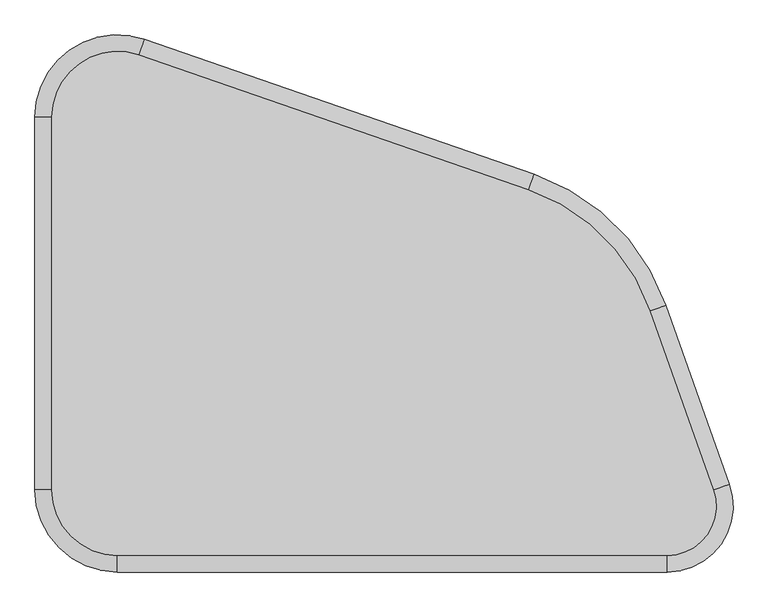
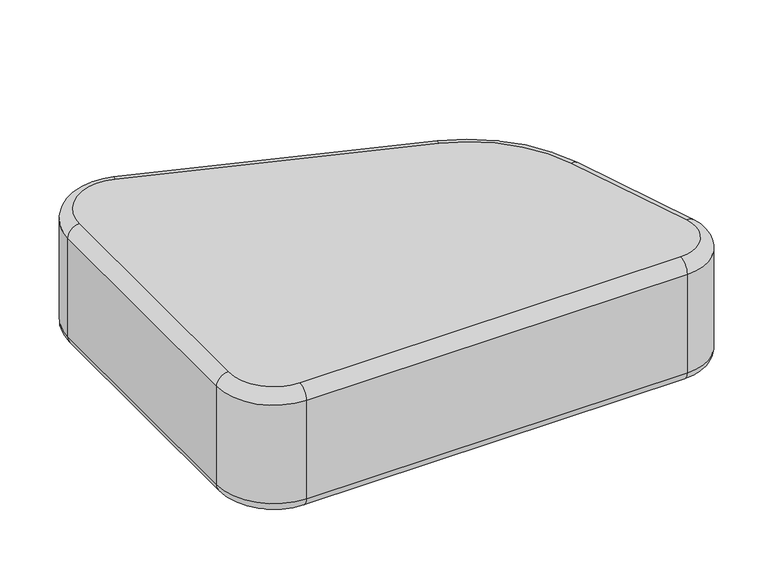
"""IFC4 building model written with IfcOpenShell, lengths in millimetres: furniture geometry."""

from ifc_helpers import new_model, si_unit, point, frame, frame_2d, origin, origin_with_axes, place, context, project, spatial, circle_curve, ellipse_curve, trimmed, segment, composite_curve, outline, extrude, source, transform, mapped, element, save
from ifc_brep_helpers import plane_surface, cylinder_surface, revolved_surface, advanced_brep


def furniture_f7a4884d(model_context):
    return source(origin(), model_context, "Body", "SolidModel", [
        advanced_brep(
        [(814.480664, -64.6679861, 273.05), (611.2073015, 137.1393038, 273.05), (602.9010162, 113.1358536, 298.45), (790.5379662, -73.1477987, 298.45), (814.480664, -64.6679861, 41.275), (611.2073015, 137.1393038, 41.275), (790.5379662, -73.1477987, 15.875), (602.9010162, 113.1358536, 15.875), (888.3114299, -349.2105623, 298.45), (912.2541277, -340.7307497, 273.05), (912.2541277, -340.7307497, 41.275), (888.3114299, -349.2105623, 15.875), (816.4833364, -450.85, 298.45), (816.4833364, -476.25, 273.05), (816.4833364, -476.25, 41.275), (816.4833364, -450.85, 15.875), (-31.75, -450.85, 298.45), (-31.75, -476.25, 273.05), (-31.75, -476.25, 41.275), (-31.75, -450.85, 15.875), (-133.35, -349.25, 298.45), (-158.75, -349.25, 273.05), (-158.75, -349.25, 41.275), (-133.35, -349.25, 15.875), (-133.35, 225.2427541, 298.45), (-158.75, 225.2427541, 273.05), (-158.75, 225.2427541, 41.275), (-133.35, 225.2427541, 15.875), (1.4751412, 321.2565552, 298.45), (9.7814265, 345.2600054, 273.05), (9.7814265, 345.2600054, 41.275), (1.4751412, 321.2565552, 15.875)],
        [
            (0, 1, circle_curve(frame((503.2255924, -174.9055496, 273.05), z_axis=(0.0, 0.0, 1.0), x_axis=(0.32701910664062595, 0.9450177267607031, 0.0)), 330.2)),
            (1, 2, circle_curve(frame((602.9010162, 113.1358536, 273.05), z_axis=(0.945017726760703, -0.32701910664062617, 0.0), x_axis=(0.32701910664062617, 0.945017726760703, 0.0)), 25.4)),
            (2, 3, circle_curve(frame((503.2255924, -174.9055496, 298.45), z_axis=(0.0, 0.0, -1.0), x_axis=(0.32701910664062595, 0.9450177267607031, 0.0)), 304.8)),
            (3, 0, circle_curve(frame((790.5379662, -73.1477987, 273.05), z_axis=(-0.33385088881180597, 0.942625898243607, 0.0), x_axis=(0.942625898243607, 0.33385088881180597, 0.0)), 25.4)),
            (0, 4),
            (4, 5, circle_curve(frame((503.2255924, -174.9055496, 41.275), z_axis=(0.0, 0.0, 1.0), x_axis=(0.32701910664062595, 0.9450177267607031, 0.0)), 330.2)),
            (5, 1),
            (4, 6, circle_curve(frame((790.5379662, -73.1477987, 41.275), z_axis=(-0.33385088881180597, 0.942625898243607, 0.0), x_axis=(0.942625898243607, 0.33385088881180597, 0.0)), 25.4)),
            (6, 7, circle_curve(frame((503.2255924, -174.9055496, 15.875), z_axis=(0.0, 0.0, 1.0), x_axis=(0.32701910664062595, 0.9450177267607031, 0.0)), 304.8)),
            (7, 5, circle_curve(frame((602.9010162, 113.1358536, 41.275), z_axis=(0.945017726760703, -0.32701910664062617, 0.0), x_axis=(0.32701910664062617, 0.945017726760703, 0.0)), 25.4)),
            (3, 8),
            (8, 9, circle_curve(frame((888.3114299, -349.2105623, 273.05), z_axis=(-0.3338508888118062, 0.9426258982436071, 0.0), x_axis=(0.9426258982436071, 0.3338508888118062, 0.0)), 25.4)),
            (9, 0),
            (9, 10),
            (10, 4),
            (10, 11, circle_curve(frame((888.3114299, -349.2105623, 41.275), z_axis=(-0.3338508888118062, 0.9426258982436071, 0.0), x_axis=(0.9426258982436071, 0.3338508888118062, 0.0)), 25.4)),
            (11, 6),
            (8, 12, circle_curve(frame((816.4833364, -374.65, 298.45), z_axis=(0.0, 0.0, -1.0), x_axis=(0.9426258982436045, 0.33385088881181335, 0.0)), 76.2)),
            (12, 13, circle_curve(frame((816.4833364, -450.85, 273.05), z_axis=(1.0, 0.0, 0.0), x_axis=(0.0, -1.0, 0.0)), 25.4)),
            (13, 9, circle_curve(frame((816.4833364, -374.65, 273.05), z_axis=(0.0, 0.0, 1.0), x_axis=(0.9426258982436045, 0.33385088881181335, 0.0)), 101.6)),
            (13, 14),
            (14, 10, circle_curve(frame((816.4833364, -374.65, 41.275), z_axis=(0.0, 0.0, 1.0), x_axis=(0.9426258982436045, 0.33385088881181335, 0.0)), 101.6)),
            (14, 15, circle_curve(frame((816.4833364, -450.85, 41.275), z_axis=(1.0, 0.0, 0.0), x_axis=(0.0, -1.0, 0.0)), 25.4)),
            (15, 11, circle_curve(frame((816.4833364, -374.65, 15.875), z_axis=(0.0, 0.0, 1.0), x_axis=(0.9426258982436045, 0.33385088881181335, 0.0)), 76.2)),
            (12, 16),
            (16, 17, circle_curve(frame((-31.75, -450.85, 273.05), z_axis=(1.0, 0.0, 0.0), x_axis=(0.0, -1.0, 0.0)), 25.4)),
            (17, 13),
            (17, 18),
            (18, 14),
            (18, 19, circle_curve(frame((-31.75, -450.85, 41.275), z_axis=(1.0, 0.0, 0.0), x_axis=(0.0, -1.0, 0.0)), 25.4)),
            (19, 15),
            (16, 20, circle_curve(frame((-31.75, -349.25, 298.45), z_axis=(0.0, 0.0, -1.0), x_axis=(0.0, -1.0, 0.0)), 101.6)),
            (20, 21, circle_curve(frame((-133.35, -349.25, 273.05), z_axis=(0.0, -1.0, 0.0), x_axis=(-1.0, 0.0, 0.0)), 25.4)),
            (21, 17, circle_curve(frame((-31.75, -349.25, 273.05), z_axis=(0.0, 0.0, 1.0), x_axis=(0.0, -1.0, 0.0)), 127.0)),
            (21, 22),
            (22, 18, circle_curve(frame((-31.75, -349.25, 41.275), z_axis=(0.0, 0.0, 1.0), x_axis=(0.0, -1.0, 0.0)), 127.0)),
            (22, 23, circle_curve(frame((-133.35, -349.25, 41.275), z_axis=(0.0, -1.0, 0.0), x_axis=(-1.0, 0.0, 0.0)), 25.4)),
            (23, 19, circle_curve(frame((-31.75, -349.25, 15.875), z_axis=(0.0, 0.0, 1.0), x_axis=(0.0, -1.0, 0.0)), 101.6)),
            (20, 24),
            (24, 25, circle_curve(frame((-133.35, 225.2427541, 273.05), z_axis=(0.0, -1.0, 0.0), x_axis=(-1.0, 0.0, 0.0)), 25.4)),
            (25, 21),
            (25, 26),
            (26, 22),
            (26, 27, circle_curve(frame((-133.35, 225.2427541, 41.275), z_axis=(0.0, -1.0, 0.0), x_axis=(-1.0, 0.0, 0.0)), 25.4)),
            (27, 23),
            (24, 28, circle_curve(frame((-31.75, 225.2427541, 298.45), z_axis=(0.0, 0.0, -1.0), x_axis=(-1.0, 0.0, 0.0)), 101.6)),
            (28, 29, circle_curve(frame((1.4751412, 321.2565552, 273.05), z_axis=(-0.9450177267607031, 0.32701910664062617, 0.0), x_axis=(0.32701910664062617, 0.9450177267607031, 0.0)), 25.4)),
            (29, 25, circle_curve(frame((-31.75, 225.2427541, 273.05), z_axis=(0.0, 0.0, 1.0), x_axis=(-1.0, 0.0, 0.0)), 127.0)),
            (29, 30),
            (30, 26, circle_curve(frame((-31.75, 225.2427541, 41.275), z_axis=(0.0, 0.0, 1.0), x_axis=(-1.0, 0.0, 0.0)), 127.0)),
            (30, 31, circle_curve(frame((1.4751412, 321.2565552, 41.275), z_axis=(-0.9450177267607034, 0.3270191066406251, 0.0), x_axis=(0.3270191066406251, 0.9450177267607034, 0.0)), 25.4)),
            (31, 27, circle_curve(frame((-31.75, 225.2427541, 15.875), z_axis=(0.0, 0.0, 1.0), x_axis=(-1.0, 0.0, 0.0)), 101.6)),
            (1, 29),
            (28, 2),
            (5, 30),
            (7, 31),
        ],
        [
            revolved_surface(trimmed(ellipse_curve(frame((602.9010162, 113.1358536, 273.05), z_axis=(-0.945017726760703, 0.32701910664062617, 0.0), x_axis=(0.32701910664062617, 0.945017726760703, 0.0)), 25.4, 25.4), [point((602.9010162, 113.1358536, 298.45))], [point((611.2073015, 137.1393038, 273.05))], True, "CARTESIAN"), (503.2255924, -174.9055496, 0.0), (0.0, 0.0, -1.0)),
            cylinder_surface(frame((503.2255924, -174.9055496, 0.0), z_axis=(0.0, 0.0, -1.0), x_axis=(0.32701910664062595, 0.9450177267607031, 0.0)), 330.2),
            revolved_surface(trimmed(ellipse_curve(frame((602.9010162, 113.1358536, 41.275), z_axis=(-0.945017726760703, 0.32701910664062617, 0.0), x_axis=(0.32701910664062617, 0.945017726760703, 0.0)), 25.4, 25.4), [point((611.2073015, 137.1393038, 41.275))], [point((602.9010162, 113.1358536, 15.875))], True, "CARTESIAN"), (503.2255924, -174.9055496, 0.0), (0.0, 0.0, -1.0)),
            cylinder_surface(frame((790.5379662, -73.1477987, 273.05), z_axis=(-0.3338508888118062, 0.9426258982436071, 0.0), x_axis=(0.9426258982436071, 0.3338508888118062, 0.0)), 25.4),
            plane_surface(frame((814.480664, -64.6679861, 273.05), z_axis=(0.942625898243607, 0.3338508888118063, 0.0), x_axis=(0.3338508888118063, -0.942625898243607, 0.0))),
            cylinder_surface(frame((790.5379662, -73.1477987, 41.275), z_axis=(-0.3338508888118062, 0.9426258982436071, 0.0), x_axis=(0.9426258982436071, 0.3338508888118062, 0.0)), 25.4),
            revolved_surface(trimmed(ellipse_curve(frame((888.3114299, -349.2105623, 273.05), z_axis=(-0.3338508888118131, 0.9426258982436047, 0.0), x_axis=(0.9426258982436047, 0.3338508888118131, 0.0)), 25.4, 25.4), [point((888.3114299, -349.2105623, 298.45))], [point((912.2541277, -340.7307497, 273.05))], True, "CARTESIAN"), (816.4833364, -374.65, 0.0), (0.0, 0.0, -1.0)),
            cylinder_surface(frame((816.4833364, -374.65, 0.0), z_axis=(0.0, 0.0, -1.0), x_axis=(0.9426258982436045, 0.33385088881181335, 0.0)), 101.6),
            revolved_surface(trimmed(ellipse_curve(frame((888.3114299, -349.2105623, 41.275), z_axis=(-0.3338508888118131, 0.9426258982436047, 0.0), x_axis=(0.9426258982436047, 0.3338508888118131, 0.0)), 25.4, 25.4), [point((912.2541277, -340.7307497, 41.275))], [point((888.3114299, -349.2105623, 15.875))], True, "CARTESIAN"), (816.4833364, -374.65, 0.0), (0.0, 0.0, -1.0)),
            cylinder_surface(frame((816.4833364, -450.85, 273.05), z_axis=(1.0, 0.0, 0.0), x_axis=(0.0, -1.0, 0.0)), 25.4),
            plane_surface(frame((816.4833364, -476.25, 273.05), z_axis=(0.0, -1.0, 0.0), x_axis=(-1.0, 0.0, 0.0))),
            cylinder_surface(frame((816.4833364, -450.85, 41.275), z_axis=(1.0, 0.0, 0.0), x_axis=(0.0, -1.0, 0.0)), 25.4),
            revolved_surface(trimmed(ellipse_curve(frame((-31.75, -450.85, 273.05), z_axis=(1.0, 0.0, 0.0), x_axis=(0.0, -1.0, 0.0)), 25.4, 25.4), [point((-31.75, -450.85, 298.45))], [point((-31.75, -476.25, 273.05))], True, "CARTESIAN"), (-31.75, -349.25, 0.0), (0.0, 0.0, -1.0)),
            cylinder_surface(frame((-31.75, -349.25, 0.0), z_axis=(0.0, 0.0, -1.0), x_axis=(0.0, -1.0, 0.0)), 127.0),
            revolved_surface(trimmed(ellipse_curve(frame((-31.75, -450.85, 41.275), z_axis=(1.0, 0.0, 0.0), x_axis=(0.0, -1.0, 0.0)), 25.4, 25.4), [point((-31.75, -476.25, 41.275))], [point((-31.75, -450.85, 15.875))], True, "CARTESIAN"), (-31.75, -349.25, 0.0), (0.0, 0.0, -1.0)),
            cylinder_surface(frame((-133.35, -349.25, 273.05), z_axis=(0.0, -1.0, 0.0), x_axis=(-1.0, 0.0, 0.0)), 25.4),
            plane_surface(frame((-158.75, -349.25, 273.05), z_axis=(-1.0, 0.0, 0.0), x_axis=(0.0, 1.0, 0.0))),
            cylinder_surface(frame((-133.35, -349.25, 41.275), z_axis=(0.0, -1.0, 0.0), x_axis=(-1.0, 0.0, 0.0)), 25.4),
            revolved_surface(trimmed(ellipse_curve(frame((-133.35, 225.2427541, 273.05), z_axis=(0.0, -1.0, 0.0), x_axis=(-1.0, 0.0, 0.0)), 25.4, 25.4), [point((-133.35, 225.2427541, 298.45))], [point((-158.75, 225.2427541, 273.05))], True, "CARTESIAN"), (-31.75, 225.2427541, 0.0), (0.0, 0.0, -1.0)),
            cylinder_surface(frame((-31.75, 225.2427541, 0.0), z_axis=(0.0, 0.0, -1.0), x_axis=(-1.0, 0.0, 0.0)), 127.0),
            revolved_surface(trimmed(ellipse_curve(frame((-133.35, 225.2427541, 41.275), z_axis=(0.0, -1.0, 0.0), x_axis=(-1.0, 0.0, 0.0)), 25.4, 25.4), [point((-158.75, 225.2427541, 41.275))], [point((-133.35, 225.2427541, 15.875))], True, "CARTESIAN"), (-31.75, 225.2427541, 0.0), (0.0, 0.0, -1.0)),
            cylinder_surface(frame((1.4751412, 321.2565552, 273.05), z_axis=(-0.9450177267607031, 0.3270191066406261, 0.0), x_axis=(0.3270191066406261, 0.9450177267607031, 0.0)), 25.4),
            plane_surface(frame((9.7814265, 345.2600054, 273.05), z_axis=(0.32701910664062595, 0.9450177267607032, 0.0), x_axis=(0.9450177267607032, -0.32701910664062595, 0.0))),
            cylinder_surface(frame((1.4751412, 321.2565552, 41.275), z_axis=(-0.9450177267607031, 0.3270191066406261, 0.0), x_axis=(0.3270191066406261, 0.9450177267607031, 0.0)), 25.4),
            plane_surface(frame((69.85, 225.2427541, 298.45), z_axis=(0.0, 0.0, 1.0), x_axis=(0.0, 1.0, 0.0))),
            plane_surface(frame((69.85, 225.2427541, 15.875), z_axis=(0.0, 0.0, -1.0), x_axis=(0.0, -1.0, 0.0))),
        ],
        [
            (0, [[1, 2, 3, 4]]),
            (1, [[-1, 5, 6, 7]]),
            (2, [[-6, 8, 9, 10]]),
            (3, [[-4, 11, 12, 13]]),
            (4, [[-5, -13, 14, 15]]),
            (5, [[-8, -15, 16, 17]]),
            (6, [[-12, 18, 19, 20]]),
            (7, [[-14, -20, 21, 22]]),
            (8, [[-16, -22, 23, 24]]),
            (9, [[-19, 25, 26, 27]]),
            (10, [[-21, -27, 28, 29]]),
            (11, [[-23, -29, 30, 31]]),
            (12, [[-26, 32, 33, 34]]),
            (13, [[-28, -34, 35, 36]]),
            (14, [[-30, -36, 37, 38]]),
            (15, [[-33, 39, 40, 41]]),
            (16, [[-35, -41, 42, 43]]),
            (17, [[-37, -43, 44, 45]]),
            (18, [[-40, 46, 47, 48]]),
            (19, [[-42, -48, 49, 50]]),
            (20, [[-44, -50, 51, 52]]),
            (21, [[-2, 53, -47, 54]]),
            (22, [[-7, 55, -49, -53]]),
            (23, [[-10, 56, -51, -55]]),
            (24, [[-3, -54, -46, -39, -32, -25, -18, -11]]),
            (25, [[-9, -17, -24, -31, -38, -45, -52, -56]]),
        ],
    ),
        extrude(outline(composite_curve([segment(trimmed(circle_curve(frame_2d((-38.4928872, 237.3611834)), 12.7), [point((-51.1928872, 237.3611834))], [point((-25.7928872, 237.3611834))], False, "CARTESIAN"), True, "CONTINUOUS"), segment(trimmed(circle_curve(frame_2d((-38.4928872, 237.3611834)), 12.7), [point((-25.7928872, 237.3611834))], [point((-51.1928872, 237.3611834))], False, "CARTESIAN"), True, "CONTINUOUS")], self_intersect=False)), origin_with_axes(), (0.0, 0.0, 1.0), 15.875),
        extrude(outline(composite_curve([segment(trimmed(circle_curve(frame_2d((-38.4928872, -365.8888166)), 12.7), [point((-51.1928872, -365.8888166))], [point((-25.7928872, -365.8888166))], False, "CARTESIAN"), True, "CONTINUOUS"), segment(trimmed(circle_curve(frame_2d((-38.4928872, -365.8888166)), 12.7), [point((-25.7928872, -365.8888166))], [point((-51.1928872, -365.8888166))], False, "CARTESIAN"), True, "CONTINUOUS")], self_intersect=False)), origin_with_axes(), (0.0, 0.0, 1.0), 15.875),
        extrude(outline(composite_curve([segment(trimmed(circle_curve(frame_2d((799.7071128, -365.8888166)), 12.7), [point((787.0071128, -365.8888166))], [point((812.4071128, -365.8888166))], False, "CARTESIAN"), True, "CONTINUOUS"), segment(trimmed(circle_curve(frame_2d((799.7071128, -365.8888166)), 12.7), [point((812.4071128, -365.8888166))], [point((787.0071128, -365.8888166))], False, "CARTESIAN"), True, "CONTINUOUS")], self_intersect=False)), origin_with_axes(), (0.0, 0.0, 1.0), 15.875),
        extrude(outline(composite_curve([segment(trimmed(circle_curve(frame_2d((675.3260749, -19.3002818)), 12.7), [point((662.6260749, -19.3002818))], [point((688.0260749, -19.3002818))], False, "CARTESIAN"), True, "CONTINUOUS"), segment(trimmed(circle_curve(frame_2d((675.3260749, -19.3002818)), 12.7), [point((688.0260749, -19.3002818))], [point((662.6260749, -19.3002818))], False, "CARTESIAN"), True, "CONTINUOUS")], self_intersect=False)), origin_with_axes(), (0.0, 0.0, 1.0), 15.875),
    ])


if __name__ == "__main__":
    model = new_model("IFC4")
    model_context = context("Model", 3, world=origin())
    ifc_project = project(units=[si_unit("LENGTHUNIT", "METRE", prefix="MILLI")], contexts=[model_context])
    site = spatial("IfcSite", under=ifc_project)
    building = spatial("IfcBuilding", under=site)
    placement = place(None, origin())
    furniture_shape = furniture_f7a4884d(model_context)
    element("IfcFurniture", 1, at=placement, inside=building, context=model_context, shape_type="MappedRepresentation", body=[
        mapped(furniture_shape, transform((0.0, 0.0, 0.0), x_axis=(1.0, 0.0, 0.0), y_axis=(0.0, 1.0, 0.0), z_axis=(0.0, 0.0, 1.0))),
    ])
    save(model, "model.ifc")
